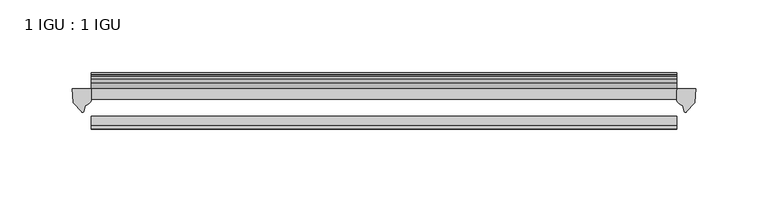
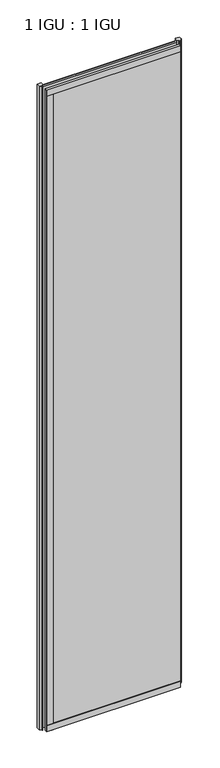
"""IFC4 building model written with IfcOpenShell, lengths in millimetres: plate geometry, 1 IGU : 1 IGU."""

from ifc_helpers import new_model, si_unit, point, frame, frame_2d, origin, place, context, project, spatial, polyline, circle_curve, trimmed, segment, composite_curve, outline, extrude, source, transform, mapped, element, save


def plate_1_igu_1_igu_20c2492a(model_context):
    return source(origin(), model_context, "Body", "SweptSolid", [
        extrude(outline(polyline([(100.7519732, -11.6085937), (100.7519732, -18.8576359), (-302.9597857, -18.8576359), (-302.9597857, -11.6085937), (100.7519732, -11.6085937)])), frame((0.0, 0.0, -19.05), z_axis=(0.0, 0.0, 1.0), x_axis=(1.0, 0.0, 0.0)), (0.0, 0.0, 1.0), 2038.3500001),
        extrude(outline(polyline([(-302.9597857, -30.7093937), (100.7519732, -30.7093937), (100.7519732, -37.0085937), (-302.9597857, -37.0085937), (-302.9597857, -30.7093937)])), frame((0.0, 0.0, -19.05), z_axis=(0.0, 0.0, 1.0), x_axis=(1.0, 0.0, 0.0)), (0.0, 0.0, 1.0), 2038.3500001),
        extrude(outline(composite_curve([segment(polyline([(113.8298823, -11.6101465), (113.4519732, -21.3502133), (107.5139199, -27.6095865)]), True, "CONTINUOUS"), segment(trimmed(circle_curve(frame_2d((106.8411139, -27.2518492)), 0.762), [point((107.5139199, -27.6095865))], [point((106.1124096, -27.4746364))], False, "CARTESIAN"), True, "CONTINUOUS"), segment(polyline([(106.1124096, -27.4746364), (104.8505751, -23.3488397)]), True, "CONTINUOUS"), segment(trimmed(circle_curve(frame_2d((107.0325322, -16.3834724)), 7.2991286), [point((104.8505751, -23.3488397))], [point((100.7521518, -20.1028944))], False, "CARTESIAN"), True, "CONTINUOUS"), segment(polyline([(100.7521518, -20.1028944), (100.7521518, -12.664425)]), True, "CONTINUOUS"), segment(trimmed(circle_curve(frame_2d((107.0334063, -16.3827796)), 7.2993369), [point((100.7521518, -12.664425))], [point((101.5105182, -11.6101465))], False, "CARTESIAN"), True, "CONTINUOUS"), segment(polyline([(101.5105182, -11.6101465), (113.8298823, -11.6101465)]), True, "CONTINUOUS")], self_intersect=False)), frame((0.0, 0.0, -19.05), z_axis=(0.0, 0.0, 1.0), x_axis=(1.0, 0.0, 0.0)), (0.0, 0.0, 1.0), 2045.4874001),
        extrude(outline(composite_curve([segment(polyline([(-302.9597857, -11.610702), (-302.9597857, -20.1014769)]), True, "CONTINUOUS"), segment(trimmed(circle_curve(frame_2d((-309.24098, -16.3829847)), 7.2993552), [point((-302.9597857, -20.1014769))], [point((-307.0587354, -23.3484994))], False, "CARTESIAN"), True, "CONTINUOUS"), segment(polyline([(-307.0587354, -23.3484994), (-308.3202221, -27.4746364)]), True, "CONTINUOUS"), segment(trimmed(circle_curve(frame_2d((-309.0489264, -27.2518492)), 0.762), [point((-308.3202221, -27.4746364))], [point((-309.7217324, -27.6095865))], False, "CARTESIAN"), True, "CONTINUOUS"), segment(polyline([(-309.7217324, -27.6095865), (-315.6597857, -21.3502133), (-316.0376948, -11.610702), (-302.9597857, -11.610702)]), True, "CONTINUOUS")], self_intersect=False)), frame((0.0, 0.0, -19.05), z_axis=(0.0, 0.0, 1.0), x_axis=(1.0, 0.0, 0.0)), (0.0, 0.0, 1.0), 2045.4874001),
        extrude(outline(polyline([(-11.6085937, -15.24), (-11.6085937, 2.8161565), (-0.5298609, 1.2591422), (-0.5298609, -0.6645794), (-5.258589, 0.0), (-5.258589, -4.826), (-1.575589, -4.826), (-1.575589, -7.874), (-5.258589, -7.874), (-5.258589, -13.208), (-3.099589, -13.208), (-3.099589, -15.24), (-11.6085937, -15.24)])), frame((-302.9597857, 0.0, 0.0), z_axis=(1.0, 0.0, 0.0), x_axis=(0.0, 1.0, 0.0)), (0.0, 0.0, 1.0), 403.7117589),
        extrude(outline(polyline([(-302.9597857, -39.2945937), (-302.9597857, -37.0085937), (100.7519732, -37.0085937), (100.7519732, -39.2945937), (-302.9597857, -39.2945937)])), frame((0.0, 0.0, -19.05), z_axis=(0.0, 0.0, 1.0), x_axis=(1.0, 0.0, 0.0)), (0.0, 0.0, 1.0), 19.05),
        extrude(outline(composite_curve([segment(trimmed(circle_curve(frame_2d((-6.5285937, 2011.721876)), 1.27), [point((-7.4547667, 2012.590843))], [point((-5.2585937, 2011.721876))], False, "CARTESIAN"), True, "CONTINUOUS"), segment(polyline([(-5.2585937, 2011.721876), (-5.2585937, 2008.5050001), (-3.3544944, 2005.8297863), (-5.2585937, 2005.484551), (-5.2585937, 2000.2500001), (-2.385052, 2000.2500001)]), True, "CONTINUOUS"), segment(trimmed(circle_curve(frame_2d((-3.2589487, 1999.7317718)), 1.016), [point((-2.385052, 2000.2500001))], [point((-3.236916, 1998.7160107))], False, "CARTESIAN"), True, "CONTINUOUS"), segment(trimmed(circle_curve(frame_2d((-2.5575611, 1967.3961025)), 31.3272753), [point((-3.236916, 1998.7160107))], [point((-11.6085937, 1997.3873843))], True, "CARTESIAN"), True, "CONTINUOUS"), segment(polyline([(-11.6085937, 1997.3873843), (-11.6085937, 2008.1635609), (-7.4547667, 2012.590843)]), True, "CONTINUOUS")], self_intersect=False)), frame((-302.9597857, 0.0, 0.0), z_axis=(1.0, 0.0, 0.0), x_axis=(0.0, 1.0, 0.0)), (0.0, 0.0, 1.0), 403.7117589),
        extrude(outline(polyline([(-302.9597857, -39.2945937), (-302.9597857, -37.0085937), (100.7519732, -37.0085937), (100.7519732, -39.2945937), (-302.9597857, -39.2945937)])), frame((0.0, 0.0, 2000.2500001), z_axis=(0.0, 0.0, 1.0), x_axis=(1.0, 0.0, 0.0)), (0.0, 0.0, 1.0), 19.05),
        extrude(outline(polyline([(-302.9597857, -39.2945937), (-302.9597857, -37.0085937), (-283.9097857, -37.0085937), (-283.9097857, -39.2945937), (-302.9597857, -39.2945937)])), frame((0.0, 0.0, -19.05), z_axis=(0.0, 0.0, 1.0), x_axis=(1.0, 0.0, 0.0)), (0.0, 0.0, 1.0), 2038.3500001),
    ])


if __name__ == "__main__":
    model = new_model("IFC4")
    model_context = context("Model", 3, world=origin())
    ifc_project = project(units=[si_unit("LENGTHUNIT", "METRE", prefix="MILLI")], contexts=[model_context])
    site = spatial("IfcSite", under=ifc_project)
    building = spatial("IfcBuilding", under=site)
    placement = place(None, origin())
    plate_1_igu_1_igu_shape = plate_1_igu_1_igu_20c2492a(model_context)
    element("IfcPlate", 1, ObjectType="1 IGU : 1 IGU", at=placement, inside=building, context=model_context, shape_type="MappedRepresentation", body=[
        mapped(plate_1_igu_1_igu_shape, transform((0.0, 0.0, 0.0), x_axis=(1.0, 0.0, 0.0), y_axis=(0.0, 1.0, 0.0), z_axis=(0.0, 0.0, 1.0))),
    ])
    save(model, "model.ifc")
